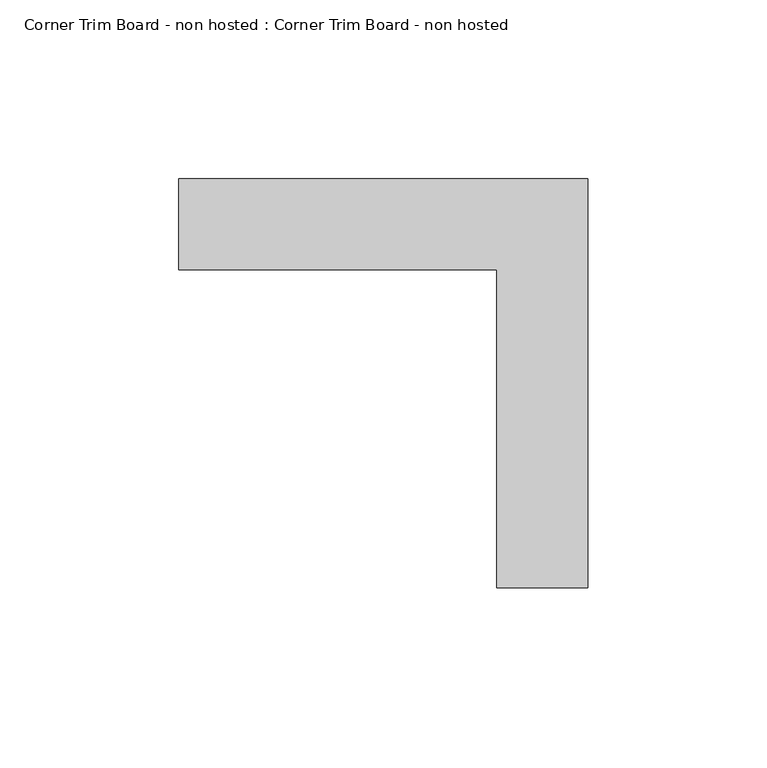
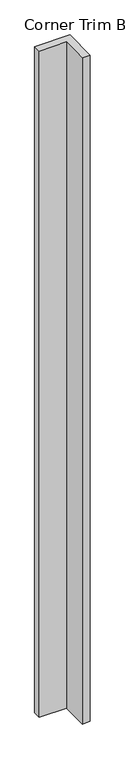
"""IFC4 building model written with IfcOpenShell, lengths in millimetres: proxy geometry, Corner Trim Board - non hosted : Corner Trim Board - non hosted."""

from ifc_helpers import new_model, si_unit, origin, origin_with_axes, place, context, project, spatial, polyline, outline, extrude, source, transform, mapped, element, save


def corner_trim_board_non_hosted_corner_trim_board_non_hosted_cbb74ab7(model_context):
    return source(origin(), model_context, "Body", "SweptSolid", [
        extrude(outline(polyline([(-84.6056616, 25.4), (29.6943384, 25.4), (29.6943384, -88.9), (4.2943384, -88.9), (4.2943384, 0.0), (-84.6056616, 0.0), (-84.6056616, 25.4)])), origin_with_axes(), (0.0, 0.0, 1.0), 2286.0),
    ])


if __name__ == "__main__":
    model = new_model("IFC4")
    model_context = context("Model", 3, world=origin())
    ifc_project = project(units=[si_unit("LENGTHUNIT", "METRE", prefix="MILLI")], contexts=[model_context])
    site = spatial("IfcSite", under=ifc_project)
    building = spatial("IfcBuilding", under=site)
    placement = place(None, origin())
    corner_trim_board_non_hosted_corner_trim_board_non_hosted_shape = corner_trim_board_non_hosted_corner_trim_board_non_hosted_cbb74ab7(model_context)
    element("IfcBuildingElementProxy", 1, Name="Corner Trim Board - non hosted : Corner Trim Board - non hosted", ObjectType="Corner Trim Board - non hosted : Corner Trim Board - non hosted", at=placement, inside=building, context=model_context, shape_type="MappedRepresentation", body=[
        mapped(corner_trim_board_non_hosted_corner_trim_board_non_hosted_shape, transform((0.0, 0.0, 0.0), x_axis=(1.0, 0.0, 0.0), y_axis=(0.0, 1.0, 0.0), z_axis=(0.0, 0.0, 1.0))),
    ])
    save(model, "model.ifc")
